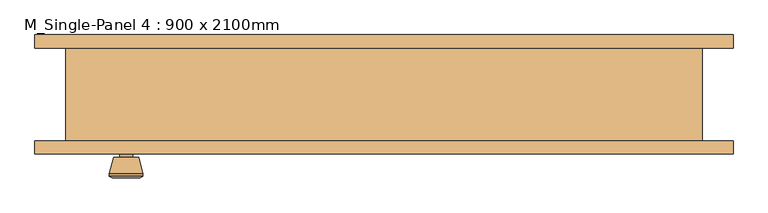
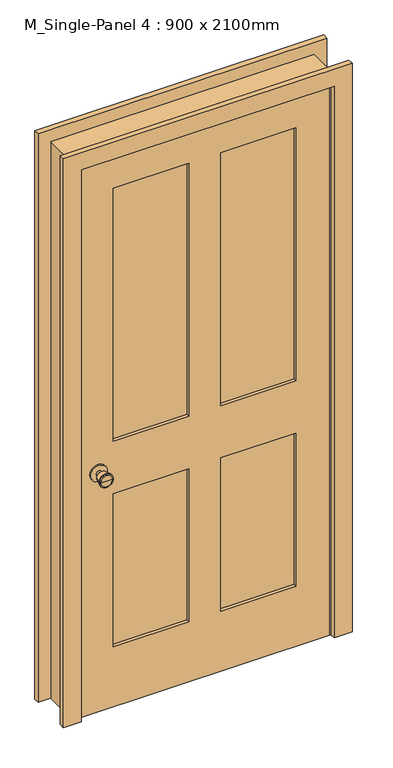
"""IFC4 building model written with IfcOpenShell, lengths in millimetres: door geometry, M_Single-Panel 4 : 900 x 2100mm."""

from ifc_helpers import new_model, si_unit, point, frame, frame_2d, origin, place, context, project, spatial, polyline, circle_curve, trimmed, segment, composite_curve, outline, extrude, faceted_brep, source, transform, mapped, element, save
from ifc_brep_helpers import plane_surface, cylinder_surface, revolved_surface, advanced_brep


def m_single_panel_4_900_x_2100mm_a6a5b846(model_context):
    return source(origin(), model_context, "Body", "SolidModel", [
        advanced_brep(
        [(-385.0, -25.075, 914.4), (-395.0, -25.075, 914.4), (-375.0, -25.075, 914.4), (-364.5241324, 23.925, 914.4), (-405.4758676, 23.925, 914.4), (-385.0, 23.925, 914.4), (-360.0, 22.0971319, 914.4), (-410.0, 22.0971319, 914.4), (-360.0, 18.6334537, 914.4), (-410.0, 18.6334537, 914.4), (-366.363764, -6.075, 914.4), (-403.636236, -6.075, 914.4), (-375.0, -6.075, 914.4), (-395.0, -6.075, 914.4)],
        [
            (0, 1),
            (1, 2, circle_curve(frame((-385.0, -25.075, 914.4), z_axis=(0.0, -1.0, 0.0), x_axis=(-1.0, 0.0, 0.0)), 10.0)),
            (2, 0),
            (2, 1, circle_curve(frame((-385.0, -25.075, 914.4), z_axis=(0.0, -1.0, 0.0), x_axis=(-1.0, 0.0, 0.0)), 10.0)),
            (3, 4, circle_curve(frame((-385.0, 23.925, 914.4), z_axis=(0.0, 1.0, 0.0), x_axis=(-1.0, 0.0, 0.0)), 20.4758676)),
            (4, 5),
            (5, 3),
            (4, 3, circle_curve(frame((-385.0, 23.925, 914.4), z_axis=(0.0, 1.0, 0.0), x_axis=(-1.0, 0.0, 0.0)), 20.4758676)),
            (6, 7, circle_curve(frame((-385.0, 22.0971319, 914.4), z_axis=(0.0, 1.0, 0.0), x_axis=(-1.0, 0.0, 0.0)), 25.0)),
            (7, 4),
            (3, 6),
            (7, 6, circle_curve(frame((-385.0, 22.0971319, 914.4), z_axis=(0.0, 1.0, 0.0), x_axis=(-1.0, 0.0, 0.0)), 25.0)),
            (8, 9, circle_curve(frame((-385.0, 18.6334537, 914.4), z_axis=(0.0, 1.0, 0.0), x_axis=(-1.0, 0.0, 0.0)), 25.0)),
            (9, 7),
            (6, 8),
            (9, 8, circle_curve(frame((-385.0, 18.6334537, 914.4), z_axis=(0.0, 1.0, 0.0), x_axis=(-1.0, 0.0, 0.0)), 25.0)),
            (10, 11, circle_curve(frame((-385.0, -6.075, 914.4), z_axis=(0.0, 1.0, 0.0), x_axis=(-1.0, 0.0, 0.0)), 18.636236)),
            (11, 9),
            (8, 10),
            (11, 10, circle_curve(frame((-385.0, -6.075, 914.4), z_axis=(0.0, 1.0, 0.0), x_axis=(-1.0, 0.0, 0.0)), 18.636236)),
            (12, 13, circle_curve(frame((-385.0, -6.075, 914.4), z_axis=(0.0, 1.0, 0.0), x_axis=(-1.0, 0.0, 0.0)), 10.0)),
            (13, 11),
            (10, 12),
            (13, 12, circle_curve(frame((-385.0, -6.075, 914.4), z_axis=(0.0, 1.0, 0.0), x_axis=(-1.0, 0.0, 0.0)), 10.0)),
            (1, 13),
            (12, 2),
        ],
        [
            plane_surface(frame((-385.0, -25.075, 914.4), z_axis=(0.0, -1.0, 0.0), x_axis=(-1.0, 0.0, 0.0))),
            plane_surface(frame((-385.0, 23.925, 914.4), z_axis=(0.0, 1.0, 0.0), x_axis=(-1.0, 0.0, 0.0))),
            revolved_surface(polyline([(-405.4758676, 23.925, 914.4), (-410.0, 22.0971319, 914.4)]), (-385.0, -25.075, 914.4), (0.0, -1.0, 0.0)),
            cylinder_surface(frame((-385.0, -25.075, 914.4), z_axis=(0.0, -1.0, 0.0), x_axis=(-1.0, 0.0, 0.0)), 25.0),
            revolved_surface(polyline([(-410.0, 18.6334537, 914.4), (-403.636236, -6.075, 914.4)]), (-385.0, -25.075, 914.4), (0.0, -1.0, 0.0)),
            plane_surface(frame((-385.0, -6.075, 914.4), z_axis=(0.0, -1.0, 0.0), x_axis=(-1.0, 0.0, 0.0))),
            cylinder_surface(frame((-385.0, -25.075, 914.4), z_axis=(0.0, -1.0, 0.0), x_axis=(-1.0, 0.0, 0.0)), 10.0),
        ],
        [
            (0, [[1, 2, 3]]),
            (0, [[-3, 4, -1]]),
            (1, [[5, 6, 7]]),
            (1, [[8, -7, -6]]),
            (2, [[9, 10, -5, 11]]),
            (2, [[12, -11, -8, -10]]),
            (3, [[13, 14, -9, 15]]),
            (3, [[16, -15, -12, -14]]),
            (4, [[17, 18, -13, 19]]),
            (4, [[20, -19, -16, -18]]),
            (5, [[21, 22, -17, 23]]),
            (5, [[24, -23, -20, -22]]),
            (6, [[-2, 25, -21, 26]]),
            (6, [[-4, -26, -24, -25]]),
        ],
    ),
        extrude(outline(composite_curve([segment(trimmed(circle_curve(frame_2d((914.4, -385.0)), 30.0), [point((914.4, -415.0))], [point((914.4, -355.0))], False, "CARTESIAN"), True, "CONTINUOUS"), segment(trimmed(circle_curve(frame_2d((914.4, -385.0)), 30.0), [point((914.4, -355.0))], [point((914.4, -415.0))], False, "CARTESIAN"), True, "CONTINUOUS")], self_intersect=False)), frame((0.0, -31.075, 0.0), z_axis=(0.0, 1.0, 0.0), x_axis=(0.0, 0.0, 1.0)), (0.0, 0.0, 1.0), 6.0),
        advanced_brep(
        [(-385.0, -72.075, 914.4), (-375.0, -72.075, 914.4), (-395.0, -72.075, 914.4), (-364.5241324, -121.075, 914.4), (-385.0, -121.075, 914.4), (-405.4758676, -121.075, 914.4), (-360.0, -119.2471319, 914.4), (-410.0, -119.2471319, 914.4), (-360.0, -115.7834537, 914.4), (-410.0, -115.7834537, 914.4), (-366.363764, -91.075, 914.4), (-403.636236, -91.075, 914.4), (-375.0, -91.075, 914.4), (-395.0, -91.075, 914.4)],
        [
            (0, 1),
            (1, 2, circle_curve(frame((-385.0, -72.075, 914.4), z_axis=(0.0, 1.0, 0.0), x_axis=(-1.0, 0.0, 0.0)), 10.0)),
            (2, 0),
            (2, 1, circle_curve(frame((-385.0, -72.075, 914.4), z_axis=(0.0, 1.0, 0.0), x_axis=(-1.0, 0.0, 0.0)), 10.0)),
            (3, 4),
            (4, 5),
            (5, 3, circle_curve(frame((-385.0, -121.075, 914.4), z_axis=(0.0, -1.0, 0.0), x_axis=(-1.0, 0.0, 0.0)), 20.4758676)),
            (3, 5, circle_curve(frame((-385.0, -121.075, 914.4), z_axis=(0.0, -1.0, 0.0), x_axis=(-1.0, 0.0, 0.0)), 20.4758676)),
            (6, 3),
            (5, 7),
            (7, 6, circle_curve(frame((-385.0, -119.2471319, 914.4), z_axis=(0.0, -1.0, 0.0), x_axis=(-1.0, 0.0, 0.0)), 25.0)),
            (6, 7, circle_curve(frame((-385.0, -119.2471319, 914.4), z_axis=(0.0, -1.0, 0.0), x_axis=(-1.0, 0.0, 0.0)), 25.0)),
            (8, 6),
            (7, 9),
            (9, 8, circle_curve(frame((-385.0, -115.7834537, 914.4), z_axis=(0.0, -1.0, 0.0), x_axis=(-1.0, 0.0, 0.0)), 25.0)),
            (8, 9, circle_curve(frame((-385.0, -115.7834537, 914.4), z_axis=(0.0, -1.0, 0.0), x_axis=(-1.0, 0.0, 0.0)), 25.0)),
            (10, 8),
            (9, 11),
            (11, 10, circle_curve(frame((-385.0, -91.075, 914.4), z_axis=(0.0, -1.0, 0.0), x_axis=(-1.0, 0.0, 0.0)), 18.636236)),
            (10, 11, circle_curve(frame((-385.0, -91.075, 914.4), z_axis=(0.0, -1.0, 0.0), x_axis=(-1.0, 0.0, 0.0)), 18.636236)),
            (12, 10),
            (11, 13),
            (13, 12, circle_curve(frame((-385.0, -91.075, 914.4), z_axis=(0.0, -1.0, 0.0), x_axis=(-1.0, 0.0, 0.0)), 10.0)),
            (12, 13, circle_curve(frame((-385.0, -91.075, 914.4), z_axis=(0.0, -1.0, 0.0), x_axis=(-1.0, 0.0, 0.0)), 10.0)),
            (1, 12),
            (13, 2),
        ],
        [
            plane_surface(frame((-385.0, -72.075, 914.4), z_axis=(0.0, 1.0, 0.0), x_axis=(-1.0, 0.0, 0.0))),
            plane_surface(frame((-385.0, -121.075, 914.4), z_axis=(0.0, -1.0, 0.0), x_axis=(-1.0, 0.0, 0.0))),
            revolved_surface(polyline([(-405.4758676, -121.075, 914.4), (-410.0, -119.2471319, 914.4)]), (-385.0, -72.075, 914.4), (0.0, 1.0, 0.0)),
            cylinder_surface(frame((-385.0, -72.075, 914.4), z_axis=(0.0, 1.0, 0.0), x_axis=(-1.0, 0.0, 0.0)), 25.0),
            revolved_surface(polyline([(-410.0, -115.7834537, 914.4), (-403.636236, -91.075, 914.4)]), (-385.0, -72.075, 914.4), (0.0, 1.0, 0.0)),
            plane_surface(frame((-385.0, -91.075, 914.4), z_axis=(0.0, 1.0, 0.0), x_axis=(-1.0, 0.0, 0.0))),
            cylinder_surface(frame((-385.0, -72.075, 914.4), z_axis=(0.0, 1.0, 0.0), x_axis=(-1.0, 0.0, 0.0)), 10.0),
        ],
        [
            (0, [[1, 2, 3]]),
            (0, [[-3, 4, -1]]),
            (1, [[5, 6, 7]]),
            (1, [[-6, -5, 8]]),
            (2, [[9, -7, 10, 11]]),
            (2, [[-10, -8, -9, 12]]),
            (3, [[13, -11, 14, 15]]),
            (3, [[-14, -12, -13, 16]]),
            (4, [[17, -15, 18, 19]]),
            (4, [[-18, -16, -17, 20]]),
            (5, [[21, -19, 22, 23]]),
            (5, [[-22, -20, -21, 24]]),
            (6, [[25, -23, 26, -2]]),
            (6, [[-26, -24, -25, -4]]),
        ],
    ),
        extrude(outline(composite_curve([segment(trimmed(circle_curve(frame_2d((914.4, -385.0)), 30.0), [point((914.4, -415.0))], [point((914.4, -355.0))], False, "CARTESIAN"), True, "CONTINUOUS"), segment(trimmed(circle_curve(frame_2d((914.4, -385.0)), 30.0), [point((914.4, -355.0))], [point((914.4, -415.0))], False, "CARTESIAN"), True, "CONTINUOUS")], self_intersect=False)), frame((0.0, -72.075, 0.0), z_axis=(0.0, 1.0, 0.0), x_axis=(0.0, 0.0, 1.0)), (0.0, 0.0, 1.0), 6.0),
        extrude(outline(polyline([(330.0, -42.7416667), (330.0, -54.4083333), (57.5, -54.4083333), (57.5, -42.7416667), (330.0, -42.7416667)])), frame((0.0, 0.0, 1014.4), z_axis=(0.0, 0.0, 1.0), x_axis=(1.0, 0.0, 0.0)), (0.0, 0.0, 1.0), 965.6),
        extrude(outline(polyline([(-57.5, -42.7416667), (-57.5, -54.4083333), (-330.0, -54.4083333), (-330.0, -42.7416667), (-57.5, -42.7416667)])), frame((0.0, 0.0, 1014.4), z_axis=(0.0, 0.0, 1.0), x_axis=(1.0, 0.0, 0.0)), (0.0, 0.0, 1.0), 965.6),
        extrude(outline(polyline([(330.0, -42.7416667), (330.0, -54.4083333), (57.5, -54.4083333), (57.5, -42.7416667), (330.0, -42.7416667)])), frame((0.0, 0.0, 230.0), z_axis=(0.0, 0.0, 1.0), x_axis=(1.0, 0.0, 0.0)), (0.0, 0.0, 1.0), 584.4),
        extrude(outline(polyline([(-57.5, -42.7416667), (-57.5, -54.4083333), (-330.0, -54.4083333), (-330.0, -42.7416667), (-57.5, -42.7416667)])), frame((0.0, 0.0, 230.0), z_axis=(0.0, 0.0, 1.0), x_axis=(1.0, 0.0, 0.0)), (0.0, 0.0, 1.0), 584.4),
        extrude(outline(polyline([(2100.0, -450.0), (0.0, -450.0), (0.0, 450.0), (2100.0, 450.0), (2100.0, -450.0)]), holes=[polyline([(1980.0, 57.5), (1980.0, 330.0), (1014.4, 330.0), (1014.4, 57.5), (1980.0, 57.5)]), polyline([(1014.4, -57.5), (1014.4, -330.0), (1980.0, -330.0), (1980.0, -57.5), (1014.4, -57.5)]), polyline([(814.4, 57.5), (814.4, 330.0), (230.0, 330.0), (230.0, 57.5), (814.4, 57.5)]), polyline([(230.0, -57.5), (230.0, -330.0), (814.4, -330.0), (814.4, -57.5), (230.0, -57.5)])]), frame((0.0, -66.075, 0.0), z_axis=(0.0, 1.0, 0.0), x_axis=(0.0, 0.0, 1.0)), (0.0, 0.0, 1.0), 35.0),
        faceted_brep([(475.0, -66.075, 0.0), (450.0, -66.075, 0.0), (450.0, -31.075, 0.0), (437.3, -31.075, 0.0), (437.3, 3.85, 0.0), (450.0, 3.85, 0.0), (450.0, 72.425, 0.0), (475.0, 72.425, 0.0), (475.0, 72.425, 2125.0), (475.0, -66.075, 2125.0), (450.0, 72.425, 2100.0), (-450.0, 72.425, 2100.0), (-450.0, 72.425, 0.0), (-475.0, 72.425, 0.0), (-475.0, 72.425, 2125.0), (450.0, 3.85, 2100.0), (437.3, 3.85, 2087.3), (-437.3, 3.85, 2087.3), (-437.3, 3.85, 0.0), (-450.0, 3.85, 0.0), (-450.0, 3.85, 2100.0), (437.3, -31.075, 2087.3), (450.0, -31.075, 2100.0), (-450.0, -31.075, 2100.0), (-450.0, -31.075, 0.0), (-437.3, -31.075, 0.0), (-437.3, -31.075, 2087.3), (450.0, -66.075, 2100.0), (-475.0, -66.075, 2125.0), (-475.0, -66.075, 0.0), (-450.0, -66.075, 0.0), (-450.0, -66.075, 2100.0)], [[[0, 1, 2, 3, 4, 5, 6, 7]], [[7, 8, 9, 0]], [[6, 10, 11, 12, 13, 14, 8, 7]], [[5, 15, 10, 6]], [[4, 16, 17, 18, 19, 20, 15, 5]], [[3, 21, 16, 4]], [[2, 22, 23, 24, 25, 26, 21, 3]], [[1, 27, 22, 2]], [[0, 9, 28, 29, 30, 31, 27, 1]], [[8, 14, 28, 9]], [[15, 20, 11, 10]], [[21, 26, 17, 16]], [[27, 31, 23, 22]], [[29, 13, 12, 19, 18, 25, 24, 30]], [[14, 13, 29, 28]], [[20, 19, 12, 11]], [[26, 25, 18, 17]], [[31, 30, 24, 23]]]),
        extrude(outline(polyline([(0.0, 521.35), (2171.35, 521.35), (2171.35, -521.35), (0.0, -521.35), (0.0, -456.35), (2106.35, -456.35), (2106.35, 456.35), (0.0, 456.35), (0.0, 521.35)])), frame((0.0, 72.425, 0.0), z_axis=(0.0, 1.0, 0.0), x_axis=(0.0, 0.0, 1.0)), (0.0, 0.0, 1.0), 20.0),
        extrude(outline(polyline([(0.0, 521.35), (2171.35, 521.35), (2171.35, -521.35), (0.0, -521.35), (0.0, -456.35), (2106.35, -456.35), (2106.35, 456.35), (0.0, 456.35), (0.0, 521.35)])), frame((0.0, -86.075, 0.0), z_axis=(0.0, 1.0, 0.0), x_axis=(0.0, 0.0, 1.0)), (0.0, 0.0, 1.0), 20.0),
    ])


if __name__ == "__main__":
    model = new_model("IFC4")
    model_context = context("Model", 3, world=origin())
    ifc_project = project(units=[si_unit("LENGTHUNIT", "METRE", prefix="MILLI")], contexts=[model_context])
    site = spatial("IfcSite", under=ifc_project)
    building = spatial("IfcBuilding", under=site)
    placement = place(None, origin())
    m_single_panel_4_900_x_2100mm_shape = m_single_panel_4_900_x_2100mm_a6a5b846(model_context)
    element("IfcDoor", 1, ObjectType="M_Single-Panel 4 : 900 x 2100mm", at=placement, inside=building, context=model_context, shape_type="MappedRepresentation", body=[
        mapped(m_single_panel_4_900_x_2100mm_shape, transform((0.0, 0.0, 0.0), x_axis=(1.0, 0.0, 0.0), y_axis=(0.0, 1.0, 0.0), z_axis=(0.0, 0.0, 1.0))),
    ])
    save(model, "model.ifc")
